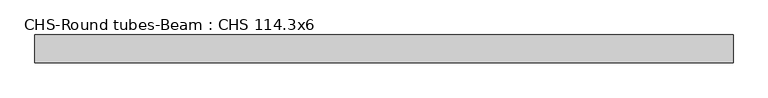
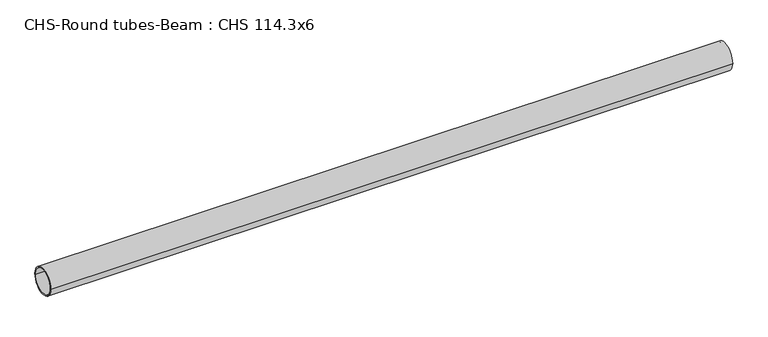
"""IFC4 building model written with IfcOpenShell, lengths in millimetres: beam geometry, CHS-Round tubes-Beam : CHS 114.3x6."""

from ifc_helpers import new_model, si_unit, point, frame, origin, origin_2d, place, context, project, spatial, circle_curve, trimmed, segment, composite_curve, outline, extrude, source, transform, mapped, element, save


def chs_round_tubes_beam_chs_114_3x6_7c64c1fc(model_context):
    return source(origin(), model_context, "Body", "SweptSolid", [
        extrude(outline(composite_curve([segment(trimmed(circle_curve(origin_2d(), 57.15), [point((57.15, 0.0))], [point((-57.15, 0.0))], False, "CARTESIAN"), True, "CONTINUOUS"), segment(trimmed(circle_curve(origin_2d(), 57.15), [point((-57.15, 0.0))], [point((57.15, 0.0))], False, "CARTESIAN"), True, "CONTINUOUS")], self_intersect=False), holes=[composite_curve([segment(trimmed(circle_curve(origin_2d(), 51.15), [point((51.15, 0.0))], [point((-51.15, 0.0))], True, "CARTESIAN"), True, "CONTINUOUS"), segment(trimmed(circle_curve(origin_2d(), 51.15), [point((-51.15, 0.0))], [point((51.15, 0.0))], True, "CARTESIAN"), True, "CONTINUOUS")], self_intersect=False)]), frame((-1426.7382307, 0.0, 0.0), z_axis=(1.0, 0.0, 0.0), x_axis=(0.0, 1.0, 0.0)), (0.0, 0.0, 1.0), 2843.8724807),
    ])


if __name__ == "__main__":
    model = new_model("IFC4")
    model_context = context("Model", 3, world=origin())
    ifc_project = project(units=[si_unit("LENGTHUNIT", "METRE", prefix="MILLI")], contexts=[model_context])
    site = spatial("IfcSite", under=ifc_project)
    building = spatial("IfcBuilding", under=site)
    placement = place(None, origin())
    chs_round_tubes_beam_chs_114_3x6_shape = chs_round_tubes_beam_chs_114_3x6_7c64c1fc(model_context)
    element("IfcBeam", 1, ObjectType="CHS-Round tubes-Beam : CHS 114.3x6", at=placement, inside=building, context=model_context, shape_type="MappedRepresentation", body=[
        mapped(chs_round_tubes_beam_chs_114_3x6_shape, transform((0.0, 0.0, 0.0), x_axis=(1.0, 0.0, 0.0), y_axis=(0.0, 1.0, 0.0), z_axis=(0.0, 0.0, 1.0))),
    ])
    save(model, "model.ifc")
